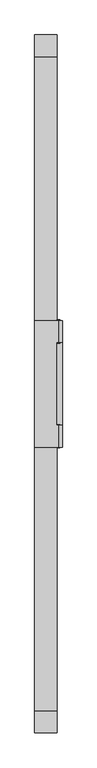
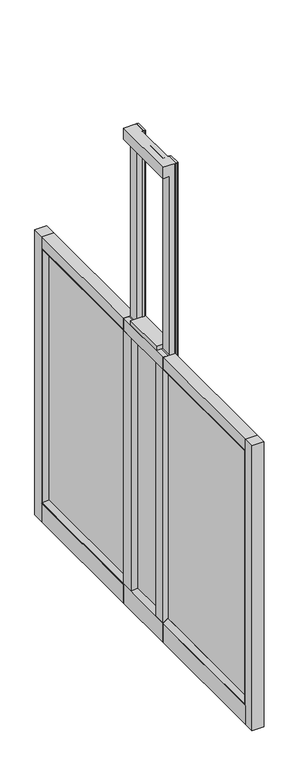
"""IFC4 building model written with IfcOpenShell, lengths in millimetres: furniture geometry."""

from ifc_helpers import new_model, si_unit, frame, origin, place, context, project, spatial, polyline, circle_curve, outline, extrude, faceted_brep, source, transform, mapped, element, save
from ifc_brep_helpers import plane_surface, cylinder_surface, advanced_brep


def furniture_850ba431(model_context):
    return source(origin(), model_context, "Body", "SolidModel", [
        faceted_brep([(142.8289496, -1708.9015009, 1228.725), (163.4664253, -1708.9015009, 1228.725), (163.4664253, -1708.9015009, 1164.8693773), (142.8289496, -1708.9015009, 1177.5439671), (142.8289496, -1985.1264948, 1228.725), (163.4664253, -1985.1264948, 1228.725), (163.4664253, -1985.1264948, 1164.8693773), (163.4664253, -1921.1690138, 1164.8693773), (163.4664253, -1772.6552046, 1164.8693773), (142.8289496, -1985.1264948, 1177.5439671)], [[[0, 1, 2, 3]], [[1, 0, 4, 5]], [[2, 1, 5, 6, 7, 8]], [[3, 2, 8, 7, 6, 9]], [[0, 3, 9, 4]], [[4, 9, 6, 5]]]),
        faceted_brep([(195.2234706, -1937.3996062, 9.525), (195.2234706, -1985.1264948, 9.525), (142.8289496, -1985.1264948, 9.525), (142.8289496, -1708.9015009, 9.525), (195.2234706, -1708.9015009, 9.525), (195.2234706, -1756.6283895, 9.525), (190.4609704, -1756.6283895, 9.525), (190.4609704, -1937.3996062, 9.525), (195.2234706, -1937.3996062, 2041.525), (195.2234706, -1985.1264948, 2041.525), (142.8289496, -1985.1264948, 2041.525), (142.8289496, -1985.1264948, 1993.9043361), (169.8164374, -1985.1264948, 1993.9043361), (169.8164374, -1985.1264948, 92.4559993), (163.4664253, -1985.1264948, 92.4559993), (163.4664253, -1985.1264948, 105.1305981), (142.8289348, -1985.1264948, 92.4559993), (142.8289496, -1708.9015009, 92.4559993), (195.2234706, -1708.9015009, 2041.525), (163.4664253, -1708.9015009, 105.1305981), (163.4664253, -1708.9015009, 92.4559993), (169.8164374, -1708.9015009, 92.4559993), (169.8164374, -1708.9015009, 1993.9043361), (142.8289496, -1708.9015009, 1993.9043361), (142.8289496, -1708.9015009, 2041.525), (195.2234706, -1756.6283895, 2041.525), (190.4609704, -1756.6283895, 2041.525), (190.4609704, -1756.6283895, 1993.9043361), (169.8164374, -1756.6283895, 1993.9043361), (169.8164374, -1756.6283895, 92.4559993), (190.4609704, -1756.6283895, 92.4559993), (190.4609704, -1937.3996062, 92.4559993), (169.8164374, -1937.3996062, 92.4559993), (169.8164374, -1937.3996062, 1993.9043361), (190.4609704, -1937.3996062, 1993.9043361), (190.4609704, -1937.3996062, 2041.525), (163.4664253, -1772.6552046, 105.1305981), (163.4664253, -1921.1690138, 105.1305981)], [[[0, 1, 2, 3, 4, 5, 6, 7]], [[8, 9, 1, 0]], [[1, 9, 10, 11, 12, 13, 14, 15, 16, 2]], [[17, 3, 2, 16]], [[18, 4, 3, 17, 19, 20, 21, 22, 23, 24]], [[18, 25, 5, 4]], [[5, 25, 26, 27, 28, 29, 30, 6]], [[7, 6, 30, 31]], [[8, 0, 7, 31, 32, 33, 34, 35]], [[32, 13, 12, 33]], [[31, 30, 29, 21, 20, 14, 13, 32]], [[20, 19, 36, 37, 15, 14]], [[19, 17, 16, 15, 37, 36]], [[21, 29, 28, 22]], [[9, 8, 35, 26, 25, 18, 24, 10]], [[26, 35, 34, 27]], [[11, 23, 22, 28, 27, 34, 33, 12]], [[24, 23, 11, 10]]]),
        faceted_brep([(163.4664253, -1772.6552046, 105.1305981), (163.4664253, -1772.6552046, 1164.8693773), (169.8164374, -1772.6552046, 1164.8693773), (169.8164374, -1772.6552046, 105.1305981), (163.4664253, -1921.1690138, 105.1305981), (163.4664253, -1921.1690138, 1164.8693773), (169.8164374, -1921.1690138, 1164.8693773), (169.8164374, -1921.1690138, 105.1305981)], [[[0, 1, 2, 3]], [[1, 0, 4, 5]], [[2, 1, 5, 6]], [[3, 2, 6, 7]], [[0, 3, 7, 4]], [[4, 7, 6, 5]]]),
        extrude(outline(polyline([(203.1609711, -1937.3996062), (203.1609711, -1985.1264948), (195.2234706, -1985.1264948), (195.2234706, -1937.3996062), (203.1609711, -1937.3996062)])), frame((0.0, 0.0, 9.525), z_axis=(0.0, 0.0, 1.0), x_axis=(1.0, 0.0, 0.0)), (0.0, 0.0, 1.0), 2032.0),
        extrude(outline(polyline([(203.1609711, -1756.6283895), (195.2234706, -1756.6283895), (195.2234706, -1708.9015009), (203.1609711, -1708.9015009), (203.1609711, -1756.6283895)])), frame((0.0, 0.0, 9.525), z_axis=(0.0, 0.0, 1.0), x_axis=(1.0, 0.0, 0.0)), (0.0, 0.0, 1.0), 2032.0),
        extrude(outline(polyline([(191.5692127, -1985.1264948), (142.8289496, -1985.1264948), (142.8289496, -1933.8436217), (163.4664253, -1921.1690138), (169.8164374, -1921.1690138), (191.5692127, -1933.8479154), (191.5692127, -1985.1264948)])), frame((0.0, 0.0, 92.4559993), z_axis=(0.0, 0.0, 1.0), x_axis=(1.0, 0.0, 0.0)), (0.0, 0.0, 1.0), 1085.0879677),
        extrude(outline(polyline([(191.5692127, -1708.9015009), (191.5692127, -1759.9806149), (169.8164374, -1772.6552046), (163.4664253, -1772.6552046), (142.8289496, -1759.9806149), (142.8289496, -1708.9015009), (191.5692127, -1708.9015009)])), frame((0.0, 0.0, 92.4559993), z_axis=(0.0, 0.0, 1.0), x_axis=(1.0, 0.0, 0.0)), (0.0, 0.0, 1.0), 1085.0879677),
        extrude(outline(polyline([(142.8289496, -2561.4758515), (142.8289496, -1985.1264948), (191.5692127, -1985.1264948), (191.5692127, -2561.4758515), (142.8289496, -2561.4758515)])), frame((0.0, 0.0, 9.525), z_axis=(0.0, 0.0, 1.0), x_axis=(1.0, 0.0, 0.0)), (0.0, 0.0, 1.0), 79.3750027),
        extrude(outline(polyline([(163.4664253, -2545.409572), (163.4664253, -1985.1264948), (169.8164374, -1985.1264948), (169.8164374, -2545.409572), (163.4664253, -2545.409572)])), frame((0.0, 0.0, 105.1305981), z_axis=(0.0, 0.0, 1.0), x_axis=(1.0, 0.0, 0.0)), (0.0, 0.0, 1.0), 1059.7387792),
        extrude(outline(polyline([(142.8289496, -2609.1008515), (142.8289496, -2561.4758515), (191.5692127, -2561.4758515), (191.5692127, -2609.1008515), (142.8289496, -2609.1008515)])), frame((0.0, 0.0, 9.525), z_axis=(0.0, 0.0, 1.0), x_axis=(1.0, 0.0, 0.0)), (0.0, 0.0, 1.0), 1219.2),
        extrude(outline(polyline([(142.8289496, -1132.7258515), (142.8289496, -1085.1008515), (191.5692127, -1085.1008515), (191.5692127, -1132.7258515), (142.8289496, -1132.7258515)])), frame((0.0, 0.0, 9.525), z_axis=(0.0, 0.0, 1.0), x_axis=(1.0, 0.0, 0.0)), (0.0, 0.0, 1.0), 1219.2),
        extrude(outline(polyline([(142.8289496, -1708.9015009), (142.8289496, -1132.7258515), (191.5692127, -1132.7258515), (191.5692127, -1708.9015009), (142.8289496, -1708.9015009)])), frame((0.0, 0.0, 9.525), z_axis=(0.0, 0.0, 1.0), x_axis=(1.0, 0.0, 0.0)), (0.0, 0.0, 1.0), 79.3750027),
        extrude(outline(polyline([(142.8289496, -1708.9015009), (142.8289496, -1132.7258515), (191.5692127, -1132.7258515), (191.5692127, -1708.9015009), (142.8289496, -1708.9015009)])), frame((0.0, 0.0, 1181.0999727), z_axis=(0.0, 0.0, 1.0), x_axis=(1.0, 0.0, 0.0)), (0.0, 0.0, 1.0), 47.6250273),
        extrude(outline(polyline([(142.8289496, -2561.4758515), (142.8289496, -1985.1264948), (191.5692127, -1985.1264948), (191.5692127, -2561.4758515), (142.8289496, -2561.4758515)])), frame((0.0, 0.0, 1181.0999727), z_axis=(0.0, 0.0, 1.0), x_axis=(1.0, 0.0, 0.0)), (0.0, 0.0, 1.0), 47.6250273),
        extrude(outline(polyline([(163.4664253, -1708.9015009), (163.4664253, -1148.792131), (169.8164374, -1148.792131), (169.8164374, -1708.9015009), (163.4664253, -1708.9015009)])), frame((0.0, 0.0, 105.1305981), z_axis=(0.0, 0.0, 1.0), x_axis=(1.0, 0.0, 0.0)), (0.0, 0.0, 1.0), 1059.7387792),
        faceted_brep([(142.8289496, -1985.1264948, 92.4560084), (163.4664253, -1985.1264948, 105.1305981), (169.8164374, -1985.1264948, 105.1305981), (190.4609704, -1985.1264948, 92.4516966), (190.4609704, -1985.1264948, 88.9000027), (142.8289496, -1985.1264948, 88.9000027), (142.8289496, -2558.0841618, 92.4560084), (163.4664253, -2545.409572, 105.1305981), (169.8164374, -2545.409572, 105.1305981), (190.4609704, -2558.0884736, 92.4516966), (190.4609704, -2558.0884736, 1177.5482789), (190.4609704, -1985.1264948, 1177.5482789), (190.4609704, -1985.1264948, 1181.0999727), (190.4609704, -2561.6401675, 1181.0999727), (190.4609704, -2561.6401675, 88.9000027), (142.8289496, -2561.6401675, 88.9000027), (142.8289496, -2561.6401675, 1181.0999727), (142.8289496, -1985.1264948, 1181.0999727), (142.8289496, -1985.1264948, 1177.5439671), (142.8289496, -2558.0841618, 1177.5439671), (163.4664253, -2545.409572, 1164.8693773), (169.8164374, -2545.409572, 1164.8693773), (169.8164374, -1985.1264948, 1164.8693773), (163.4664253, -1985.1264948, 1164.8693773)], [[[0, 1, 2, 3, 4, 5]], [[1, 0, 6, 7]], [[2, 1, 7, 8]], [[3, 2, 8, 9]], [[4, 3, 9, 10, 11, 12, 13, 14]], [[5, 4, 14, 15]], [[0, 5, 15, 16, 17, 18, 19, 6]], [[7, 6, 19, 20]], [[8, 7, 20, 21]], [[9, 8, 21, 10]], [[15, 14, 13, 16]], [[18, 17, 12, 11, 22, 23]], [[20, 19, 18, 23]], [[21, 20, 23, 22]], [[10, 21, 22, 11]], [[16, 13, 12, 17]]]),
        faceted_brep([(142.8289496, -1708.9015009, 1181.0999727), (142.8289496, -1708.9015009, 1177.5439671), (163.4664253, -1708.9015009, 1164.8693773), (169.8164374, -1708.9015009, 1164.8693773), (190.4609704, -1708.9015009, 1177.5482789), (190.4609704, -1708.9015009, 1181.0999727), (142.8289496, -1132.5615356, 1181.0999727), (142.8289496, -1132.5615356, 88.9000027), (142.8289496, -1708.9015009, 88.9000027), (142.8289496, -1708.9015009, 92.4560084), (142.8289496, -1136.1175413, 92.4560084), (142.8289496, -1136.1175413, 1177.5439671), (163.4664253, -1148.792131, 1164.8693773), (169.8164374, -1148.792131, 1164.8693773), (190.4609704, -1136.1132294, 1177.5482789), (190.4609704, -1136.1132294, 92.4516966), (190.4609704, -1708.9015009, 92.4516966), (190.4609704, -1708.9015009, 88.9000027), (190.4609704, -1132.5615356, 88.9000027), (190.4609704, -1132.5615356, 1181.0999727), (163.4664253, -1148.792131, 105.1305981), (169.8164374, -1148.792131, 105.1305981), (169.8164374, -1708.9015009, 105.1305981), (163.4664253, -1708.9015009, 105.1305981)], [[[0, 1, 2, 3, 4, 5]], [[1, 0, 6, 7, 8, 9, 10, 11]], [[2, 1, 11, 12]], [[3, 2, 12, 13]], [[4, 3, 13, 14]], [[5, 4, 14, 15, 16, 17, 18, 19]], [[0, 5, 19, 6]], [[12, 11, 10, 20]], [[13, 12, 20, 21]], [[14, 13, 21, 15]], [[6, 19, 18, 7]], [[8, 17, 16, 22, 23, 9]], [[20, 10, 9, 23]], [[21, 20, 23, 22]], [[15, 21, 22, 16]], [[7, 18, 17, 8]]]),
        advanced_brep(
        [(166.6414314, -2529.7258515, 31.7500003), (166.6414314, -2542.4258515, 31.7500003), (166.6414314, -2536.0758515, 31.7500003), (166.6414314, -2529.7258515, 4.7625), (166.6414314, -2542.4258515, 4.7625), (166.6414314, -2523.3758515, 4.7625), (166.6414314, -2548.7758515, 4.7625), (166.6414314, -2523.3758515, 0.0), (166.6414314, -2548.7758515, 0.0), (166.6414314, -2536.0758515, 0.0)],
        [
            (0, 1, circle_curve(frame((166.6414314, -2536.0758515, 31.7500003), z_axis=(0.0, 0.0, 1.0), x_axis=(0.0, -1.0, 0.0)), 6.35)),
            (1, 2),
            (2, 0),
            (1, 0, circle_curve(frame((166.6414314, -2536.0758515, 31.7500003), z_axis=(0.0, 0.0, 1.0), x_axis=(0.0, -1.0, 0.0)), 6.35)),
            (3, 4, circle_curve(frame((166.6414314, -2536.0758515, 4.7625), z_axis=(0.0, 0.0, 1.0), x_axis=(0.0, -1.0, 0.0)), 6.35)),
            (4, 1),
            (0, 3),
            (4, 3, circle_curve(frame((166.6414314, -2536.0758515, 4.7625), z_axis=(0.0, 0.0, 1.0), x_axis=(0.0, -1.0, 0.0)), 6.35)),
            (5, 6, circle_curve(frame((166.6414314, -2536.0758515, 4.7625), z_axis=(0.0, 0.0, 1.0), x_axis=(0.0, -1.0, 0.0)), 12.7)),
            (6, 4),
            (3, 5),
            (6, 5, circle_curve(frame((166.6414314, -2536.0758515, 4.7625), z_axis=(0.0, 0.0, 1.0), x_axis=(0.0, -1.0, 0.0)), 12.7)),
            (7, 8, circle_curve(frame((166.6414314, -2536.0758515, 0.0), z_axis=(0.0, 0.0, 1.0), x_axis=(0.0, -1.0, 0.0)), 12.7)),
            (8, 6),
            (5, 7),
            (8, 7, circle_curve(frame((166.6414314, -2536.0758515, 0.0), z_axis=(0.0, 0.0, 1.0), x_axis=(0.0, -1.0, 0.0)), 12.7)),
            (9, 8),
            (7, 9),
        ],
        [
            plane_surface(frame((166.6414314, -2536.0758515, 31.7500003), z_axis=(0.0, 0.0, 1.0), x_axis=(0.0, -1.0, 0.0))),
            cylinder_surface(frame((166.6414314, -2536.0758515, 119.5096682), z_axis=(0.0, 0.0, -1.0), x_axis=(0.0, -1.0, 0.0)), 6.35),
            plane_surface(frame((166.6414314, -2536.0758515, 4.7625), z_axis=(0.0, 0.0, 1.0), x_axis=(0.0, -1.0, 0.0))),
            cylinder_surface(frame((166.6414314, -2536.0758515, 119.5096682), z_axis=(0.0, 0.0, -1.0), x_axis=(0.0, -1.0, 0.0)), 12.7),
            plane_surface(frame((166.6414314, -2536.0758515, 0.0), z_axis=(0.0, 0.0, -1.0), x_axis=(0.0, -1.0, 0.0))),
        ],
        [
            (0, [[1, 2, 3]]),
            (0, [[4, -3, -2]]),
            (1, [[5, 6, -1, 7]]),
            (1, [[8, -7, -4, -6]]),
            (2, [[9, 10, -5, 11]]),
            (2, [[12, -11, -8, -10]]),
            (3, [[13, 14, -9, 15]]),
            (3, [[16, -15, -12, -14]]),
            (4, [[17, -13, 18]]),
            (4, [[-18, -16, -17]]),
        ],
    ),
        advanced_brep(
        [(166.6414314, -1158.1258515, 0.0), (166.6414314, -1170.8258515, 0.0), (166.6414314, -1145.4258515, 0.0), (166.6414314, -1151.7758515, 31.7500003), (166.6414314, -1164.4758515, 31.7500003), (166.6414314, -1158.1258515, 31.7500003), (166.6414314, -1151.7758515, 4.7625), (166.6414314, -1164.4758515, 4.7625), (166.6414314, -1145.4258515, 4.7625), (166.6414314, -1170.8258515, 4.7625)],
        [
            (0, 1),
            (1, 2, circle_curve(frame((166.6414314, -1158.1258515, 0.0), z_axis=(0.0, 0.0, -1.0), x_axis=(0.0, -1.0, 0.0)), 12.7)),
            (2, 0),
            (2, 1, circle_curve(frame((166.6414314, -1158.1258515, 0.0), z_axis=(0.0, 0.0, -1.0), x_axis=(0.0, -1.0, 0.0)), 12.7)),
            (3, 4, circle_curve(frame((166.6414314, -1158.1258515, 31.7500003), z_axis=(0.0, 0.0, 1.0), x_axis=(0.0, -1.0, 0.0)), 6.35)),
            (4, 5),
            (5, 3),
            (4, 3, circle_curve(frame((166.6414314, -1158.1258515, 31.7500003), z_axis=(0.0, 0.0, 1.0), x_axis=(0.0, -1.0, 0.0)), 6.35)),
            (6, 7, circle_curve(frame((166.6414314, -1158.1258515, 4.7625), z_axis=(0.0, 0.0, 1.0), x_axis=(0.0, -1.0, 0.0)), 6.35)),
            (7, 4),
            (3, 6),
            (7, 6, circle_curve(frame((166.6414314, -1158.1258515, 4.7625), z_axis=(0.0, 0.0, 1.0), x_axis=(0.0, -1.0, 0.0)), 6.35)),
            (8, 9, circle_curve(frame((166.6414314, -1158.1258515, 4.7625), z_axis=(0.0, 0.0, 1.0), x_axis=(0.0, -1.0, 0.0)), 12.7)),
            (9, 7),
            (6, 8),
            (9, 8, circle_curve(frame((166.6414314, -1158.1258515, 4.7625), z_axis=(0.0, 0.0, 1.0), x_axis=(0.0, -1.0, 0.0)), 12.7)),
            (1, 9),
            (8, 2),
        ],
        [
            plane_surface(frame((166.6414314, -1158.1258515, 0.0), z_axis=(0.0, 0.0, -1.0), x_axis=(0.0, -1.0, 0.0))),
            plane_surface(frame((166.6414314, -1158.1258515, 31.7500003), z_axis=(0.0, 0.0, 1.0), x_axis=(0.0, -1.0, 0.0))),
            cylinder_surface(frame((166.6414314, -1158.1258515, 128.4525152), z_axis=(0.0, 0.0, -1.0), x_axis=(0.0, -1.0, 0.0)), 6.35),
            plane_surface(frame((166.6414314, -1158.1258515, 4.7625), z_axis=(0.0, 0.0, 1.0), x_axis=(0.0, -1.0, 0.0))),
            cylinder_surface(frame((166.6414314, -1158.1258515, 128.4525152), z_axis=(0.0, 0.0, -1.0), x_axis=(0.0, -1.0, 0.0)), 12.7),
        ],
        [
            (0, [[1, 2, 3]]),
            (0, [[-3, 4, -1]]),
            (1, [[5, 6, 7]]),
            (1, [[8, -7, -6]]),
            (2, [[9, 10, -5, 11]]),
            (2, [[12, -11, -8, -10]]),
            (3, [[13, 14, -9, 15]]),
            (3, [[16, -15, -12, -14]]),
            (4, [[-2, 17, -13, 18]]),
            (4, [[-4, -18, -16, -17]]),
        ],
    ),
        faceted_brep([(169.8164374, -1921.1690138, 1164.8693773), (190.4609704, -1933.8479154, 1177.5482789), (190.4609704, -1933.8479154, 92.4516966), (169.8164374, -1921.1690138, 105.1305981), (163.4664253, -1921.1690138, 1164.8693773), (163.4664253, -1921.1690138, 105.1305981), (190.4609704, -1985.0246364, 1228.725), (163.4664253, -1985.0246364, 1228.725), (163.4664253, -1985.0246364, 41.2749755), (190.4609704, -1985.0246364, 41.2749755), (190.4609704, -1759.976303, 92.4516966), (169.8164374, -1772.6552046, 105.1305981), (163.4664253, -1772.6552046, 105.1305981), (163.4664253, -1708.7995819, 41.2749755), (190.4609704, -1708.7995819, 41.2749755), (190.4609704, -1759.976303, 1177.5482789), (169.8164374, -1772.6552046, 1164.8693773), (163.4664253, -1772.6552046, 1164.8693773), (163.4664253, -1708.7995819, 1228.725), (190.4609704, -1708.7995819, 1228.725)], [[[0, 1, 2, 3]], [[4, 0, 3, 5]], [[6, 7, 8, 9]], [[3, 2, 10, 11]], [[5, 3, 11, 12]], [[9, 8, 13, 14]], [[11, 10, 15, 16]], [[12, 11, 16, 17]], [[14, 13, 18, 19]], [[9, 14, 19, 6], [1, 15, 10, 2]], [[16, 15, 1, 0]], [[17, 16, 0, 4]], [[7, 18, 13, 8], [5, 12, 17, 4]], [[19, 18, 7, 6]]]),
        extrude(outline(polyline([(191.5692127, -1707.3140009), (198.4019216, -1707.3140009), (198.4019216, -1708.9015009), (190.4609704, -1708.9015009), (191.5692127, -1707.3140009)])), frame((0.0, 0.0, 9.525), z_axis=(0.0, 0.0, 1.0), x_axis=(1.0, 0.0, 0.0)), (0.0, 0.0, 1.0), 2032.0),
        extrude(outline(polyline([(198.4019216, -1986.6121062), (191.5692127, -1986.6121062), (190.4609704, -1985.1264948), (198.4019216, -1985.1264948), (198.4019216, -1986.6121062)])), frame((0.0, 0.0, 9.525), z_axis=(0.0, 0.0, 1.0), x_axis=(1.0, 0.0, 0.0)), (0.0, 0.0, 1.0), 2032.0),
        extrude(outline(polyline([(190.4609704, -1937.3996062), (191.5692127, -1935.8121062), (198.4019216, -1935.8121062), (198.4019216, -1937.3996062), (190.4609704, -1937.3996062)])), frame((0.0, 0.0, 9.525), z_axis=(0.0, 0.0, 1.0), x_axis=(1.0, 0.0, 0.0)), (0.0, 0.0, 1.0), 2032.0),
        extrude(outline(polyline([(198.4019216, -1758.1140009), (191.5692127, -1758.1140009), (190.4609704, -1756.6283895), (198.4019216, -1756.6283895), (198.4019216, -1758.1140009)])), frame((0.0, 0.0, 9.525), z_axis=(0.0, 0.0, 1.0), x_axis=(1.0, 0.0, 0.0)), (0.0, 0.0, 1.0), 2032.0),
        extrude(outline(polyline([(142.8289496, -1937.3996062), (142.8289496, -1756.6283895), (203.1609711, -1756.6283895), (203.1609711, -1937.3996062), (142.8289496, -1937.3996062)])), frame((0.0, 0.0, 1228.725), z_axis=(0.0, 0.0, 1.0), x_axis=(1.0, 0.0, 0.0)), (0.0, 0.0, 1.0), 19.05),
        extrude(outline(polyline([(169.8164374, -1756.6283895), (190.4609704, -1756.6283895), (190.4609704, -1937.3996062), (169.8164374, -1937.3996062), (169.8164374, -1756.6283895)])), frame((0.0, 0.0, 1993.9043361), z_axis=(0.0, 0.0, 1.0), x_axis=(1.0, 0.0, 0.0)), (0.0, 0.0, 1.0), 47.6206639),
    ])


if __name__ == "__main__":
    model = new_model("IFC4")
    model_context = context("Model", 3, world=origin())
    ifc_project = project(units=[si_unit("LENGTHUNIT", "METRE", prefix="MILLI")], contexts=[model_context])
    site = spatial("IfcSite", under=ifc_project)
    building = spatial("IfcBuilding", under=site)
    placement = place(None, origin())
    furniture_shape = furniture_850ba431(model_context)
    element("IfcFurniture", 1, at=placement, inside=building, context=model_context, shape_type="MappedRepresentation", body=[
        mapped(furniture_shape, transform((0.0, 0.0, 0.0), x_axis=(1.0, 0.0, 0.0), y_axis=(0.0, 1.0, 0.0), z_axis=(0.0, 0.0, 1.0))),
    ])
    save(model, "model.ifc")
